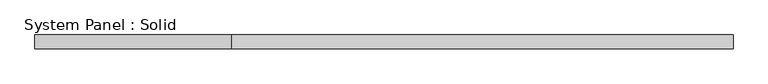
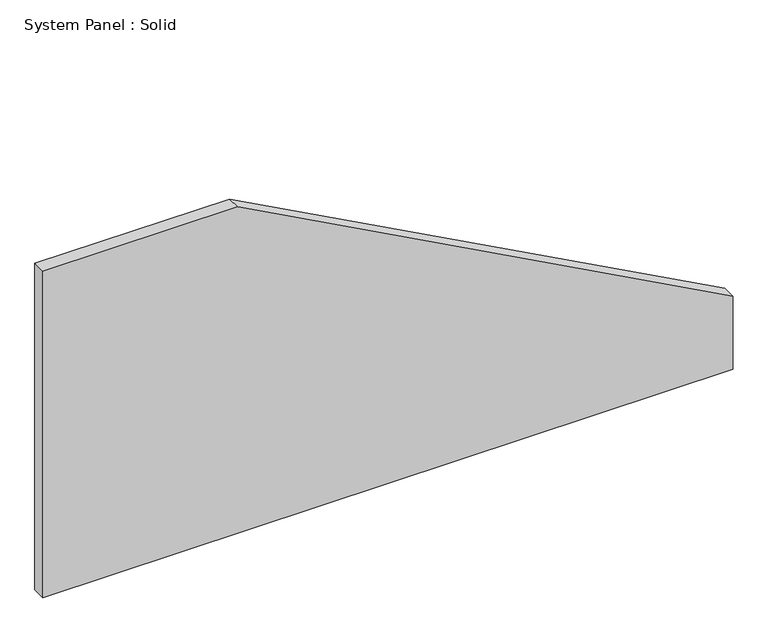
"""IFC4 building model written with IfcOpenShell, lengths in millimetres: plate geometry, System Panel : Solid."""

from ifc_helpers import new_model, si_unit, frame, origin, place, context, project, spatial, polyline, outline, extrude, source, transform, mapped, element, save


def system_panel_solid_9236e36d(model_context):
    return source(origin(), model_context, "Body", "SweptSolid", [
        extrude(outline(polyline([(0.0, -1500.0), (0.0, 1500.0), (335.5401981, 1500.0), (1500.0, -653.9161372), (1500.0, -1500.0), (0.0, -1500.0)])), frame((0.0, -10.5, 0.0), z_axis=(0.0, 1.0, 0.0), x_axis=(0.0, 0.0, 1.0)), (0.0, 0.0, 1.0), 60.0),
    ])


if __name__ == "__main__":
    model = new_model("IFC4")
    model_context = context("Model", 3, world=origin())
    ifc_project = project(units=[si_unit("LENGTHUNIT", "METRE", prefix="MILLI")], contexts=[model_context])
    site = spatial("IfcSite", under=ifc_project)
    building = spatial("IfcBuilding", under=site)
    placement = place(None, origin())
    system_panel_solid_shape = system_panel_solid_9236e36d(model_context)
    element("IfcPlate", 1, ObjectType="System Panel : Solid", at=placement, inside=building, context=model_context, shape_type="MappedRepresentation", body=[
        mapped(system_panel_solid_shape, transform((0.0, 0.0, 0.0), x_axis=(1.0, 0.0, 0.0), y_axis=(0.0, 1.0, 0.0), z_axis=(0.0, 0.0, 1.0))),
    ])
    save(model, "model.ifc")
